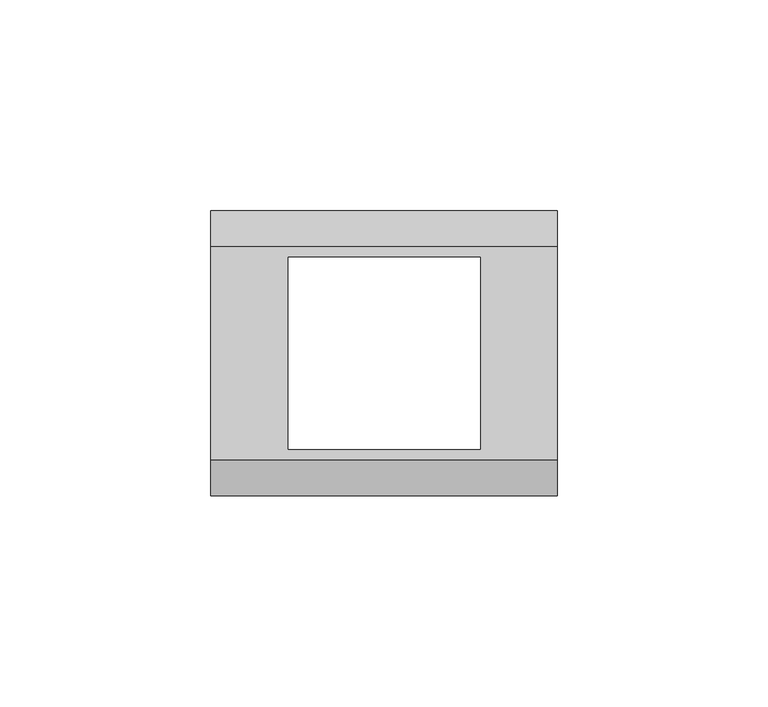
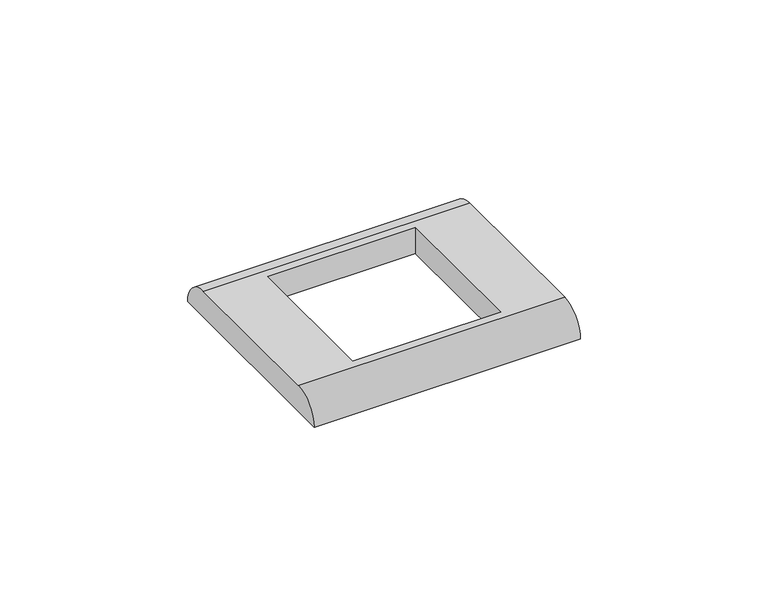
"""IFC4 building model written with IfcOpenShell, lengths in millimetres: proxy geometry."""

from ifc_helpers import new_model, si_unit, frame, origin, place, context, project, spatial, circle_curve, source, transform, mapped, element, save
from ifc_brep_helpers import plane_surface, cylinder_surface, advanced_brep


def electrical_fixtures_3d2422d0(model_context):
    return source(origin(), model_context, "Body", "AdvancedBrep", [
        advanced_brep(
        [(41.0, 25.25, 8.5), (-41.0, 25.25, 8.5), (-41.0, -25.25, 8.5), (41.0, -25.25, 8.5), (-22.6858553, 22.75, 8.5), (22.8141447, 22.75, 8.5), (22.8141447, -22.75, 8.5), (-22.6858553, -22.75, 8.5), (41.0, 33.75, 0.0), (41.0, -33.75, 0.0), (-41.0, -33.75, 0.0), (-41.0, 33.75, 0.0), (22.8141447, 22.75, 0.0), (-22.6858553, 22.75, 0.0), (-22.6858553, -22.75, 0.0), (22.8141447, -22.75, 0.0)],
        [
            (0, 1),
            (1, 2),
            (2, 3),
            (3, 0),
            (4, 5),
            (5, 6),
            (6, 7),
            (7, 4),
            (8, 9),
            (9, 10),
            (10, 11),
            (11, 8),
            (12, 13),
            (13, 14),
            (14, 15),
            (15, 12),
            (10, 2, circle_curve(frame((-41.0, -25.25, 0.0), z_axis=(-1.0, 0.0, 0.0), x_axis=(0.0, 1.0, 0.0)), 8.5)),
            (1, 11, circle_curve(frame((-41.0, 25.25, 0.0), z_axis=(-1.0, 0.0, 0.0), x_axis=(0.0, -1.0, 0.0)), 8.5)),
            (8, 0, circle_curve(frame((41.0, 25.25, 0.0), z_axis=(1.0, 0.0, 0.0), x_axis=(0.0, -1.0, 0.0)), 8.5)),
            (3, 9, circle_curve(frame((41.0, -25.25, 0.0), z_axis=(1.0, 0.0, 0.0), x_axis=(0.0, 1.0, 0.0)), 8.5)),
            (12, 5),
            (4, 13),
            (7, 14),
            (6, 15),
        ],
        [
            plane_surface(frame((-41.0, 48.25, 8.5), z_axis=(0.0, 0.0, 1.0), x_axis=(0.0, -1.0, 0.0))),
            plane_surface(frame((-41.0, 48.25, 0.0), z_axis=(0.0, 0.0, -1.0), x_axis=(0.0, 1.0, 0.0))),
            plane_surface(frame((-41.0, 33.75, 8.5), z_axis=(-1.0, 0.0, 0.0), x_axis=(0.0, 0.0, -1.0))),
            plane_surface(frame((41.0, -33.75, 8.5), z_axis=(1.0, 0.0, 0.0), x_axis=(0.0, 0.0, -1.0))),
            plane_surface(frame((22.8141447, 22.75, 30.0), z_axis=(0.0, -1.0, 0.0), x_axis=(0.0, 0.0, -1.0))),
            plane_surface(frame((-22.6858553, 22.75, 30.0), z_axis=(1.0, 0.0, 0.0), x_axis=(0.0, 0.0, -1.0))),
            plane_surface(frame((-22.6858553, -22.75, 30.0), z_axis=(0.0, 1.0, 0.0), x_axis=(0.0, 0.0, -1.0))),
            plane_surface(frame((22.8141447, -22.75, 30.0), z_axis=(-1.0, 0.0, 0.0), x_axis=(0.0, 0.0, -1.0))),
            cylinder_surface(frame((41.0, 25.25, 0.0), z_axis=(-1.0, 0.0, 0.0), x_axis=(0.0, -1.0, 0.0)), 8.5),
            cylinder_surface(frame((41.0, -25.25, 0.0), z_axis=(-1.0, 0.0, 0.0), x_axis=(0.0, 1.0, 0.0)), 8.5),
        ],
        [
            (0, [[1, 2, 3, 4], [5, 6, 7, 8]]),
            (1, [[9, 10, 11, 12], [13, 14, 15, 16]]),
            (2, [[-11, 17, -2, 18]]),
            (3, [[-9, 19, -4, 20]]),
            (4, [[21, -5, 22, -13]]),
            (5, [[-22, -8, 23, -14]]),
            (6, [[-23, -7, 24, -15]]),
            (7, [[-21, -16, -24, -6]]),
            (8, [[-1, -19, -12, -18]]),
            (9, [[-3, -17, -10, -20]]),
        ],
    ),
    ])


if __name__ == "__main__":
    model = new_model("IFC4")
    model_context = context("Model", 3, world=origin())
    ifc_project = project(units=[si_unit("LENGTHUNIT", "METRE", prefix="MILLI")], contexts=[model_context])
    site = spatial("IfcSite", under=ifc_project)
    building = spatial("IfcBuilding", under=site)
    placement = place(None, origin())
    electrical_fixtures_shape = electrical_fixtures_3d2422d0(model_context)
    element("IfcBuildingElementProxy", 1, Name="Electrical Fixtures", at=placement, inside=building, context=model_context, shape_type="MappedRepresentation", body=[
        mapped(electrical_fixtures_shape, transform((0.0, 0.0, 0.0), x_axis=(1.0, 0.0, 0.0), y_axis=(0.0, 1.0, 0.0), z_axis=(0.0, 0.0, 1.0))),
    ])
    save(model, "model.ifc")
